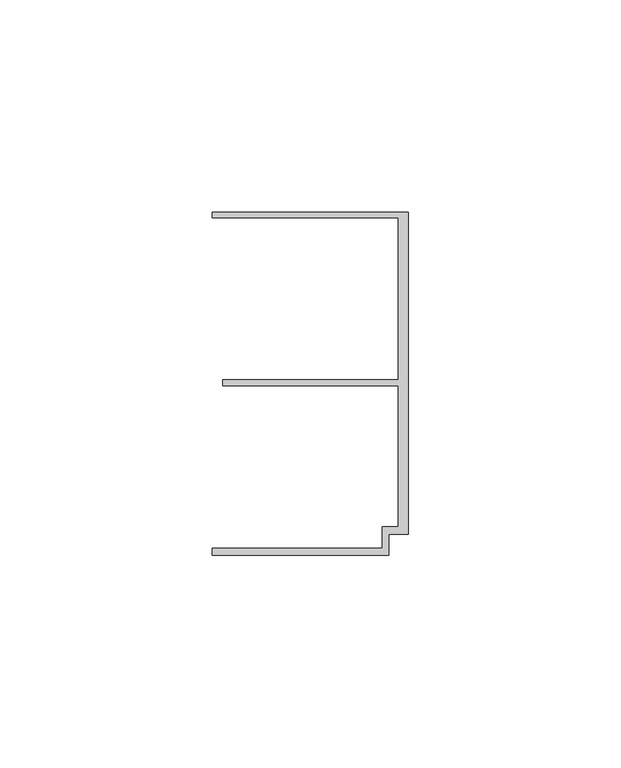
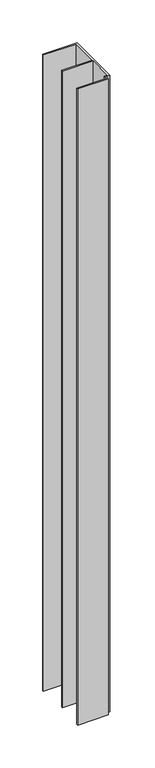
"""IFC4 building model written with IfcOpenShell, lengths in millimetres: member geometry."""

from ifc_helpers import new_model, si_unit, frame, origin, place, context, project, spatial, polyline, outline, extrude, source, transform, mapped, element, save


def member_82a44cf6(model_context):
    return source(origin(), model_context, "Body", "SweptSolid", [
        extrude(outline(polyline([(-6.2, -33.95), (-2.4, -33.95), (-2.4, -0.75), (-43.8, -0.75), (-43.8, 0.75), (-2.4, 0.75), (-2.4, 38.95), (-46.3, 38.95), (-46.3, 40.25), (0.0, 40.25), (0.0, -35.75), (-4.6999992, -35.75), (-4.6999992, -40.65), (-46.3, -40.65), (-46.3, -38.95), (-6.2, -38.95), (-6.2, -33.95)])), frame((0.0, 0.0, -905.8602632), z_axis=(0.0, 0.0, 1.0), x_axis=(1.0, 0.0, 0.0)), (0.0, 0.0, 1.0), 905.8602632),
    ])


if __name__ == "__main__":
    model = new_model("IFC4")
    model_context = context("Model", 3, world=origin())
    ifc_project = project(units=[si_unit("LENGTHUNIT", "METRE", prefix="MILLI")], contexts=[model_context])
    site = spatial("IfcSite", under=ifc_project)
    building = spatial("IfcBuilding", under=site)
    placement = place(None, origin())
    member_shape = member_82a44cf6(model_context)
    element("IfcMember", 1, at=placement, inside=building, context=model_context, shape_type="MappedRepresentation", body=[
        mapped(member_shape, transform((0.0, 0.0, 0.0), x_axis=(1.0, 0.0, 0.0), y_axis=(0.0, 1.0, 0.0), z_axis=(0.0, 0.0, 1.0))),
    ])
    save(model, "model.ifc")
